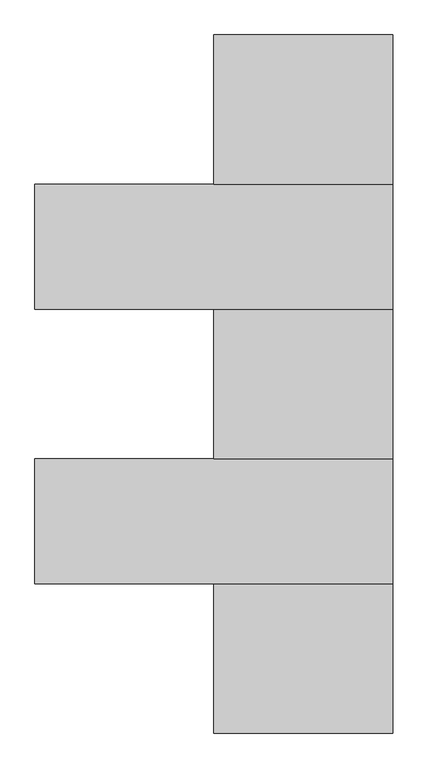
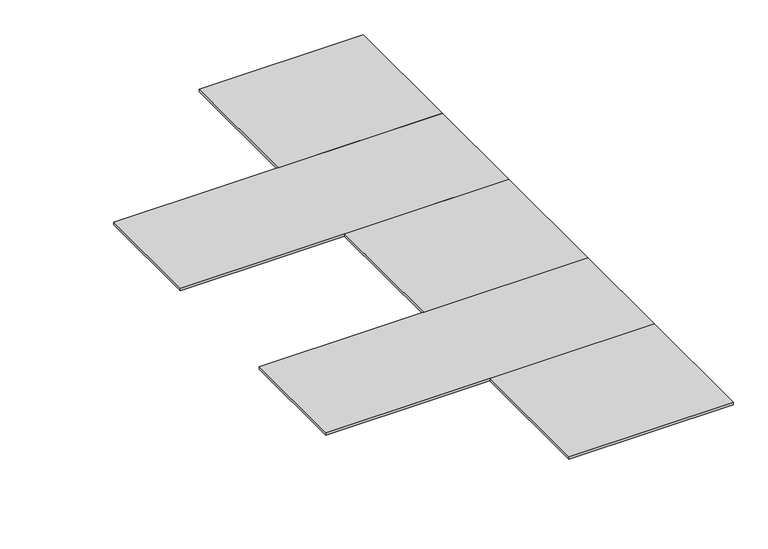
"""IFC4 building model written with IfcOpenShell, lengths in millimetres: proxy geometry."""

from ifc_helpers import new_model, si_unit, origin, origin_with_axes, place, context, project, spatial, polyline, outline, extrude, source, transform, mapped, element, save


def generic_models_2c5f19b9(model_context):
    return source(origin(), model_context, "Body", "SweptSolid", [
        extrude(outline(polyline([(-600.0, 1090.0), (0.0, 1090.0), (0.0, 590.0), (-600.0, 590.0), (-600.0, 1090.0)])), origin_with_axes(), (0.0, 0.0, 1.0), 10.0),
        extrude(outline(polyline([(-1200.0, 590.0), (0.0, 590.0), (0.0, 170.0), (-1200.0, 170.0), (-1200.0, 590.0)])), origin_with_axes(), (0.0, 0.0, 1.0), 10.0),
        extrude(outline(polyline([(-600.0, 170.0), (0.0, 170.0), (0.0, -330.0), (-600.0, -330.0), (-600.0, 170.0)])), origin_with_axes(), (0.0, 0.0, 1.0), 10.0),
        extrude(outline(polyline([(-1200.0, -330.0), (0.0, -330.0), (0.0, -750.0), (-1200.0, -750.0), (-1200.0, -330.0)])), origin_with_axes(), (0.0, 0.0, 1.0), 10.0),
        extrude(outline(polyline([(-600.0, -750.0), (0.0, -750.0), (0.0, -1250.0), (-600.0, -1250.0), (-600.0, -750.0)])), origin_with_axes(), (0.0, 0.0, 1.0), 10.0),
    ])


if __name__ == "__main__":
    model = new_model("IFC4")
    model_context = context("Model", 3, world=origin())
    ifc_project = project(units=[si_unit("LENGTHUNIT", "METRE", prefix="MILLI")], contexts=[model_context])
    site = spatial("IfcSite", under=ifc_project)
    building = spatial("IfcBuilding", under=site)
    placement = place(None, origin())
    generic_models_shape = generic_models_2c5f19b9(model_context)
    element("IfcBuildingElementProxy", 1, Name="Generic Models", at=placement, inside=building, context=model_context, shape_type="MappedRepresentation", body=[
        mapped(generic_models_shape, transform((0.0, 0.0, 0.0), x_axis=(1.0, 0.0, 0.0), y_axis=(0.0, 1.0, 0.0), z_axis=(0.0, 0.0, 1.0))),
    ])
    save(model, "model.ifc")
